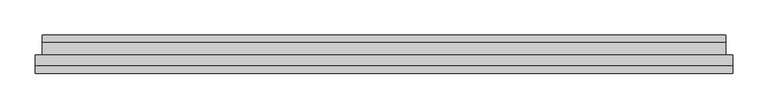
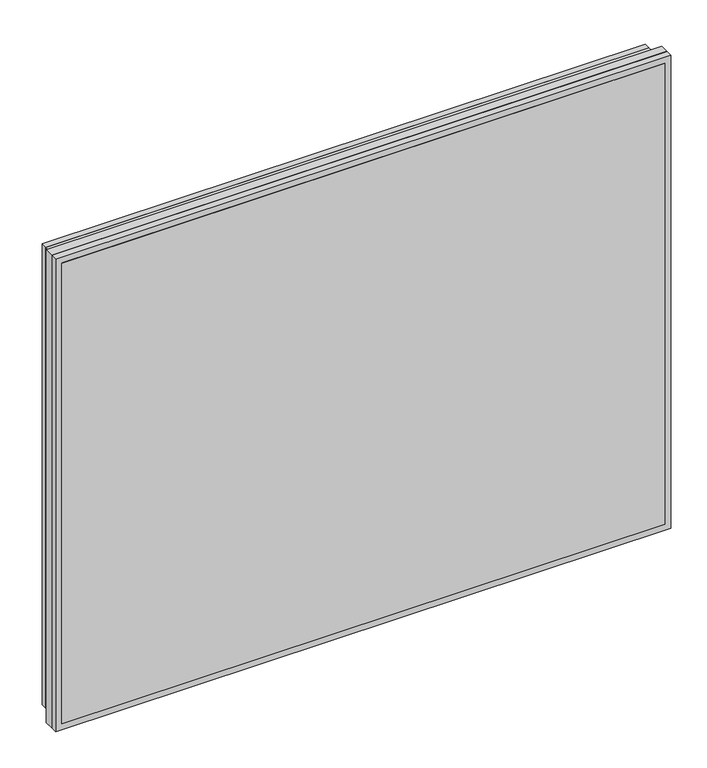
"""IFC4 building model written with IfcOpenShell, lengths in millimetres: plate geometry."""

from ifc_helpers import new_model, si_unit, frame, origin, place, context, project, spatial, polyline, outline, extrude, faceted_brep, source, transform, mapped, element, save


def plate_c1ca0f0c(model_context):
    return source(origin(), model_context, "Body", "SolidModel", [
        extrude(outline(polyline([(482.5000001, -186.0), (-482.5000001, -186.0), (-482.5000001, -180.0), (482.5000001, -180.0), (482.5000001, -186.0)])), frame((0.0, 0.0, 10.0), z_axis=(0.0, 0.0, 1.0), x_axis=(1.0, 0.0, 0.0)), (0.0, 0.0, 1.0), 780.0),
        extrude(outline(polyline([(-482.5000001, -164.0), (-482.5000001, -160.0), (482.5000001, -160.0), (482.5000001, -164.0), (-482.5000001, -164.0)])), frame((0.0, 0.0, 10.0), z_axis=(0.0, 0.0, 1.0), x_axis=(1.0, 0.0, 0.0)), (0.0, 0.0, 1.0), 780.0),
        extrude(outline(polyline([(482.5000001, -142.0), (-482.5000001, -142.0), (-482.5000001, -132.0), (482.5000001, -132.0), (482.5000001, -142.0)])), frame((0.0, 0.0, 10.0), z_axis=(0.0, 0.0, 1.0), x_axis=(1.0, 0.0, 0.0)), (0.0, 0.0, 1.0), 780.0),
        extrude(outline(polyline([(0.0, 492.5000001), (800.0, 492.5000001), (800.0, -492.5000001), (0.0, -492.5000001), (0.0, 492.5000001)]), holes=[polyline([(790.0, 482.5000001), (10.0, 482.5000001), (10.0, -482.5000001), (790.0, -482.5000001), (790.0, 482.5000001)])]), frame((0.0, -174.8777766, 0.0), z_axis=(0.0, 1.0, 0.0), x_axis=(0.0, 0.0, 1.0)), (0.0, 0.0, 1.0), 14.8777766),
        extrude(outline(polyline([(10.0, 482.5000001), (790.0, 482.5000001), (790.0, -482.5000001), (10.0, -482.5000001), (10.0, 482.5000001)]), holes=[polyline([(773.3439539, 465.843954), (26.6560461, 465.843954), (26.6560461, -465.843954), (773.3439539, -465.843954), (773.3439539, 465.843954)])]), frame((0.0, -180.0, 0.0), z_axis=(0.0, 1.0, 0.0), x_axis=(0.0, 0.0, 1.0)), (0.0, 0.0, 1.0), 16.0),
        extrude(outline(polyline([(10.0, 482.5000001), (790.0, 482.5000001), (790.0, -482.5000001), (10.0, -482.5000001), (10.0, 482.5000001)]), holes=[polyline([(773.3439539, 465.843954), (26.6560461, 465.843954), (26.6560461, -465.843954), (773.3439539, -465.843954), (773.3439539, 465.843954)])]), frame((0.0, -160.0, 0.0), z_axis=(0.0, 1.0, 0.0), x_axis=(0.0, 0.0, 1.0)), (0.0, 0.0, 1.0), 18.0),
        faceted_brep([(465.843954, -166.9999998, 773.3439539), (465.843954, -166.9999998, 26.6560461), (462.843954, -163.9999998, 29.6560461), (462.843954, -163.9999998, 770.3439539), (465.843954, -176.9999998, 773.3439539), (465.843954, -176.9999998, 26.6560461), (462.843954, -179.9999998, 770.3439539), (462.843954, -179.9999998, 29.6560461), (458.843954, -163.9999998, 766.3439539), (458.843954, -163.9999998, 33.6560461), (458.843954, -179.9999998, 33.6560461), (458.843954, -179.9999998, 766.3439539), (-465.843954, -166.9999998, 26.6560461), (-462.843954, -163.9999998, 29.6560461), (-465.843954, -176.9999998, 26.6560461), (-462.843954, -179.9999998, 29.6560461), (-458.843954, -163.9999998, 33.6560461), (-458.843954, -179.9999998, 33.6560461), (-465.843954, -166.9999998, 773.3439539), (-462.843954, -163.9999998, 770.3439539), (-465.843954, -176.9999998, 773.3439539), (-462.843954, -179.9999998, 770.3439539), (-458.843954, -163.9999998, 766.3439539), (-458.843954, -179.9999998, 766.3439539)], [[[0, 1, 2, 3]], [[4, 5, 1, 0]], [[6, 7, 5, 4]], [[8, 9, 10, 11]], [[1, 12, 13, 2]], [[5, 14, 12, 1]], [[7, 15, 14, 5]], [[9, 16, 17, 10]], [[12, 18, 19, 13]], [[14, 20, 18, 12]], [[15, 21, 20, 14]], [[16, 22, 23, 17]], [[18, 0, 3, 19]], [[20, 4, 0, 18]], [[21, 6, 4, 20]], [[7, 6, 21, 15], [11, 10, 17, 23]], [[22, 8, 11, 23]], [[3, 2, 13, 19], [9, 8, 22, 16]]]),
        faceted_brep([(465.843954, -145.5, 773.3439539), (465.843954, -145.5, 26.6560461), (462.843954, -142.0, 29.6560461), (462.843954, -142.0, 770.3439539), (465.843954, -156.5, 773.3439539), (465.843954, -156.5, 26.6560461), (462.843954, -160.0, 770.3439539), (462.843954, -160.0, 29.6560461), (458.843954, -142.0, 766.3439539), (458.843954, -142.0, 33.6560461), (458.843954, -160.0, 33.6560461), (458.843954, -160.0, 766.3439539), (-465.843954, -145.5, 26.6560461), (-462.843954, -142.0, 29.6560461), (-465.843954, -156.5, 26.6560461), (-462.843954, -160.0, 29.6560461), (-458.843954, -142.0, 33.6560461), (-458.843954, -160.0, 33.6560461), (-465.843954, -145.5, 773.3439539), (-462.843954, -142.0, 770.3439539), (-465.843954, -156.5, 773.3439539), (-462.843954, -160.0, 770.3439539), (-458.843954, -142.0, 766.3439539), (-458.843954, -160.0, 766.3439539)], [[[0, 1, 2, 3]], [[4, 5, 1, 0]], [[6, 7, 5, 4]], [[8, 9, 10, 11]], [[1, 12, 13, 2]], [[5, 14, 12, 1]], [[7, 15, 14, 5]], [[9, 16, 17, 10]], [[12, 18, 19, 13]], [[14, 20, 18, 12]], [[15, 21, 20, 14]], [[16, 22, 23, 17]], [[18, 0, 3, 19]], [[20, 4, 0, 18]], [[21, 6, 4, 20]], [[7, 6, 21, 15], [11, 10, 17, 23]], [[22, 8, 11, 23]], [[3, 2, 13, 19], [9, 8, 22, 16]]]),
        faceted_brep([(482.5000001, -174.8777766, 790.0), (482.5000001, -174.8777766, 10.0), (482.5000001, -186.0, 10.0), (482.5000001, -186.0, 790.0), (492.5000001, -186.0, 800.0), (492.5000001, -186.0, 0.0), (492.5000001, -174.8777766, 0.0), (492.5000001, -174.8777766, 800.0), (-482.5000001, -174.8777766, 10.0), (-482.5000001, -186.0, 10.0), (-492.5000001, -186.0, 0.0), (-492.5000001, -174.8777766, 0.0), (-482.5000001, -174.8777766, 790.0), (-482.5000001, -186.0, 790.0), (-492.5000001, -186.0, 800.0), (-492.5000001, -174.8777766, 800.0)], [[[0, 1, 2, 3]], [[4, 5, 6, 7]], [[1, 8, 9, 2]], [[5, 10, 11, 6]], [[8, 12, 13, 9]], [[10, 14, 15, 11]], [[5, 4, 14, 10], [3, 2, 9, 13]], [[12, 0, 3, 13]], [[7, 6, 11, 15], [1, 0, 12, 8]], [[14, 4, 7, 15]]]),
    ])


if __name__ == "__main__":
    model = new_model("IFC4")
    model_context = context("Model", 3, world=origin())
    ifc_project = project(units=[si_unit("LENGTHUNIT", "METRE", prefix="MILLI")], contexts=[model_context])
    site = spatial("IfcSite", under=ifc_project)
    building = spatial("IfcBuilding", under=site)
    placement = place(None, origin())
    plate_shape = plate_c1ca0f0c(model_context)
    element("IfcPlate", 1, at=placement, inside=building, context=model_context, shape_type="MappedRepresentation", body=[
        mapped(plate_shape, transform((0.0, 0.0, 0.0), x_axis=(1.0, 0.0, 0.0), y_axis=(0.0, 1.0, 0.0), z_axis=(0.0, 0.0, 1.0))),
    ])
    save(model, "model.ifc")
